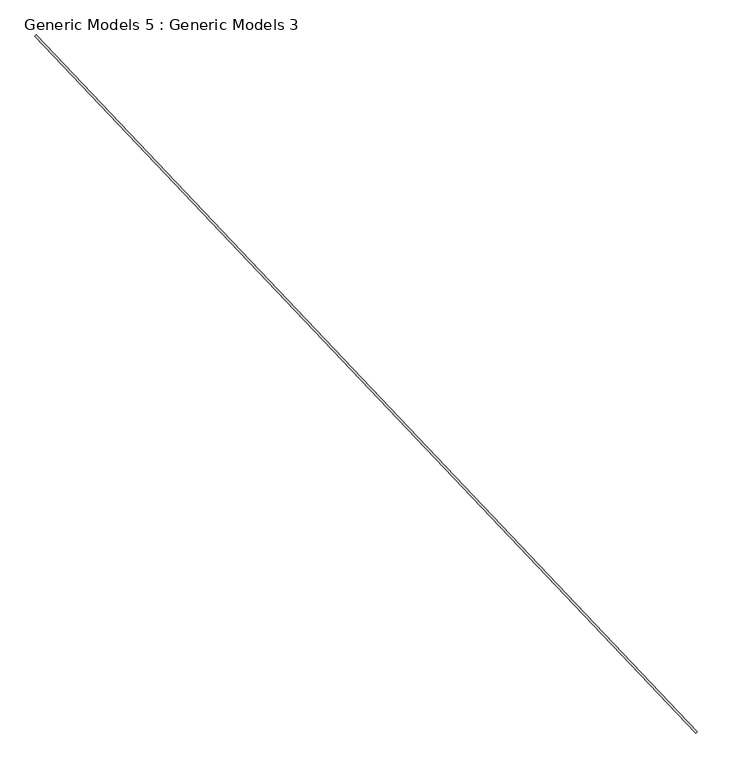
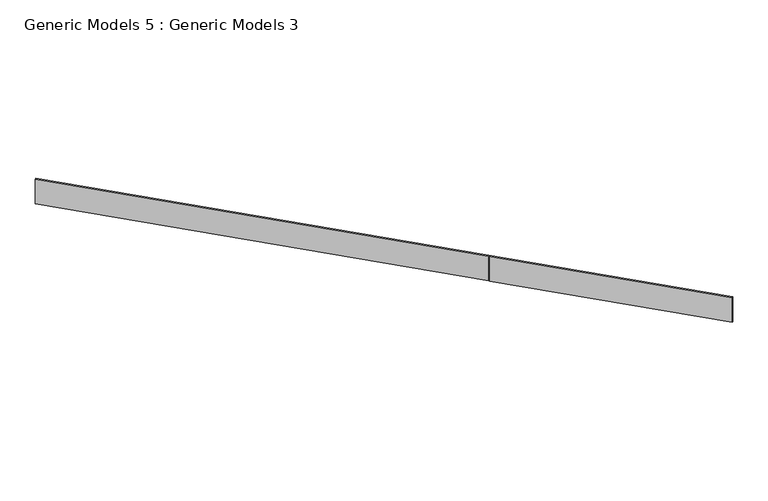
"""IFC4 building model written with IfcOpenShell, lengths in millimetres: proxy geometry, Generic Models 5 : Generic Models 3."""

from ifc_helpers import new_model, si_unit, frame, origin, place, context, project, spatial, polyline, circle_curve, source, transform, mapped, element, save
from ifc_brep_helpers import plane_surface, revolved_surface, advanced_brep


def generic_models_5_generic_models_3_533c3202(model_context):
    return source(origin(), model_context, "Body", "AdvancedBrep", [
        advanced_brep(
        [(107394.0244125, 60145.420645, 17461.3264975), (107405.5397306, 60156.3482739, 17461.3264975), (107405.5397306, 60156.3482739, 17094.2), (107394.0244125, 60145.420645, 17094.2), (113474.1571264, 53738.297632, 17461.3264975), (113474.1571264, 53738.297632, 17094.2), (113485.6724445, 53749.2252609, 17094.2), (113485.6724445, 53749.2252609, 17461.3264975), (111368.422492, 55980.3411811, 17094.2), (111368.422492, 55980.3411811, 17456.1593387), (111363.0023881, 55986.0527789, 17456.1593387), (111363.0023881, 55986.0527789, 17094.2), (111351.48707, 55975.12515, 17094.2), (111351.48707, 55975.12515, 17460.759848), (111356.9071739, 55969.4135522, 17460.759848), (111356.9071739, 55969.4135522, 17094.2)],
        [
            (0, 1),
            (1, 2),
            (2, 3),
            (3, 0),
            (4, 5),
            (5, 6),
            (6, 7),
            (7, 4),
            (0, 4),
            (7, 1),
            (6, 8),
            (8, 9),
            (9, 10),
            (10, 11),
            (11, 2),
            (11, 12),
            (12, 3),
            (12, 13),
            (13, 14),
            (14, 15),
            (15, 5),
            (14, 9, circle_curve(frame((105992.1471123, 50878.4463448, -8089.826455), z_axis=(-0.6883545756937497, 0.7253743710122916, 0.0), x_axis=(-0.7253743710122916, -0.6883545756937497, 0.0)), 26599.4559728)),
            (8, 15),
            (10, 13, circle_curve(frame((105986.7270083, 50884.1579426, -8089.826455), z_axis=(0.6883545756937497, -0.7253743710122916, 0.0), x_axis=(-0.7253743710122916, -0.6883545756937497, 0.0)), 26599.4559728)),
        ],
        [
            plane_surface(frame((107398.6305397, 60149.7916966, 17461.3264975), z_axis=(-0.6883545756937502, 0.7253743710122912, 0.0), x_axis=(0.7253743710122912, 0.6883545756937502, 0.0))),
            plane_surface(frame((113478.7632537, 53742.6686836, 17461.3264975), z_axis=(0.6883545756937502, -0.7253743710122912, 0.0), x_axis=(-0.7253743710122912, -0.6883545756937502, 0.0))),
            plane_surface(frame((107394.0244125, 60145.420645, 17461.3264975), z_axis=(0.0, 0.0, 1.0), x_axis=(0.6883545756937505, -0.725374371012291, 0.0))),
            plane_surface(frame((107405.5397306, 60156.3482739, 17461.3264975), z_axis=(0.725374371012291, 0.6883545756937505, 0.0), x_axis=(0.6883545756937505, -0.725374371012291, 0.0))),
            plane_surface(frame((107405.5397306, 60156.3482739, 17094.2), z_axis=(0.0, 0.0, -1.0), x_axis=(0.6883545756937505, -0.725374371012291, 0.0))),
            plane_surface(frame((107394.0244125, 60145.420645, 17094.2), z_axis=(-0.725374371012291, -0.6883545756937505, 0.0), x_axis=(0.6883545756937505, -0.725374371012291, 0.0))),
            plane_surface(frame((111450.1812508, 56057.9273462, 17094.2), z_axis=(-0.6883545756937498, 0.7253743710122916, 0.0), x_axis=(0.0, 0.0, 1.0))),
            plane_surface(frame((111338.9123425, 55963.1921793, 17094.2), z_axis=(0.6883545756937498, -0.7253743710122916, 0.0), x_axis=(0.0, 0.0, 1.0))),
            revolved_surface(polyline([(86692.16336279234, 32574.30071278837, -8089.826455), (86697.5834667563, 32568.589114954182, -8089.826455)]), (105289.8939693, 51618.4667498, -8089.826455), (-0.6883545756937497, 0.7253743710122916, 0.0)),
        ],
        [
            (0, [[1, 2, 3, 4]]),
            (1, [[5, 6, 7, 8]]),
            (2, [[-1, 9, -8, 10]]),
            (3, [[-2, -10, -7, 11, 12, 13, 14, 15]]),
            (4, [[-3, -15, 16, 17]]),
            (5, [[-4, -17, 18, 19, 20, 21, -5, -9]]),
            (6, [[22, -12, 23, -20]]),
            (7, [[24, -18, -16, -14]]),
            (8, [[-22, -19, -24, -13]]),
            (4, [[-6, -21, -23, -11]]),
        ],
    ),
    ])


if __name__ == "__main__":
    model = new_model("IFC4")
    model_context = context("Model", 3, world=origin())
    ifc_project = project(units=[si_unit("LENGTHUNIT", "METRE", prefix="MILLI")], contexts=[model_context])
    site = spatial("IfcSite", under=ifc_project)
    building = spatial("IfcBuilding", under=site)
    placement = place(None, origin())
    generic_models_5_generic_models_3_shape = generic_models_5_generic_models_3_533c3202(model_context)
    element("IfcBuildingElementProxy", 1, Name="Generic Models 5 : Generic Models 3", ObjectType="Generic Models 5 : Generic Models 3", at=placement, inside=building, context=model_context, shape_type="MappedRepresentation", body=[
        mapped(generic_models_5_generic_models_3_shape, transform((0.0, 0.0, 0.0), x_axis=(1.0, 0.0, 0.0), y_axis=(0.0, 1.0, 0.0), z_axis=(0.0, 0.0, 1.0))),
    ])
    save(model, "model.ifc")
